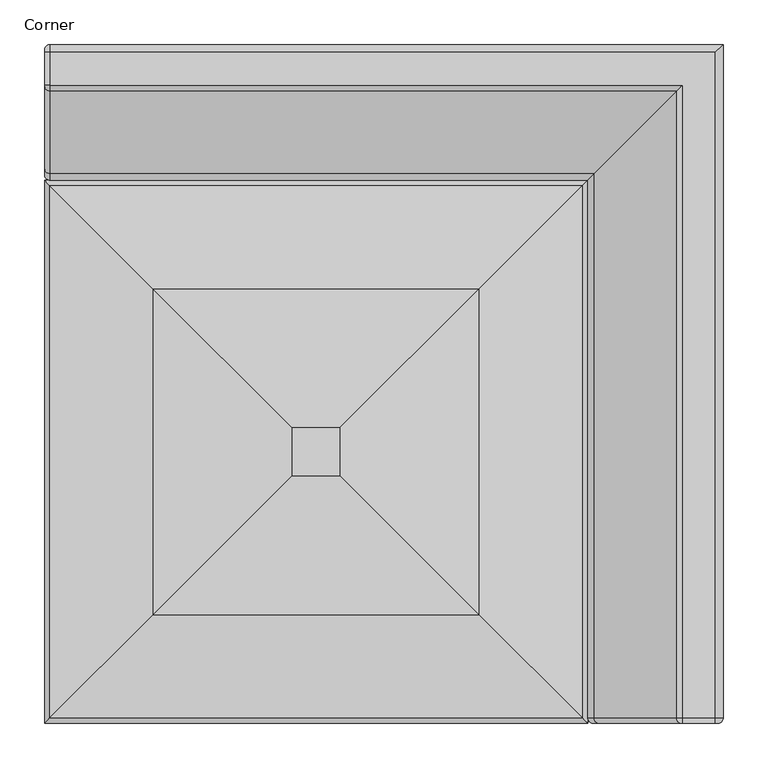
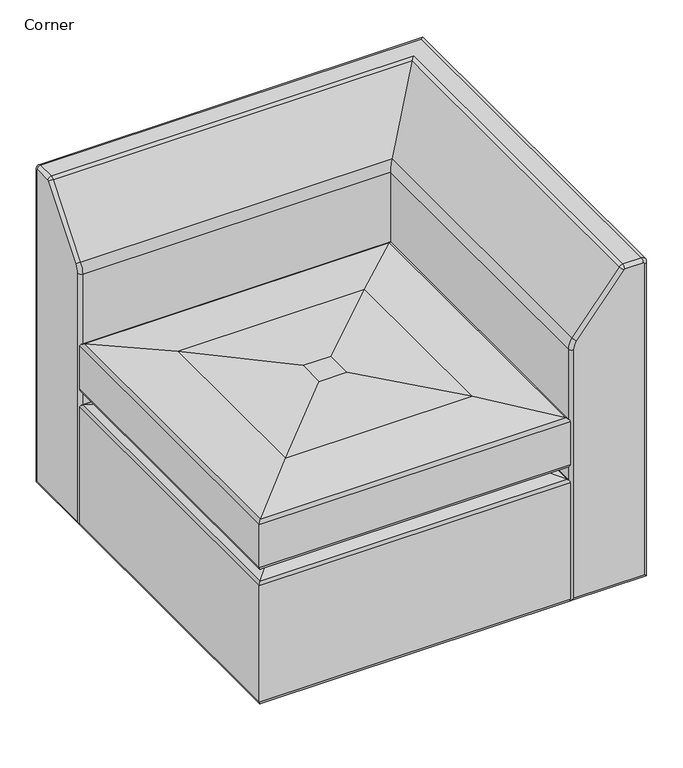
"""IFC4 building model written with IfcOpenShell, lengths in millimetres: furniture geometry, Corner."""

from ifc_helpers import new_model, si_unit, point, frame, origin, place, context, project, spatial, circle_curve, ellipse_curve, trimmed, source, transform, mapped, element, save
from ifc_brep_helpers import plane_surface, cylinder_surface, revolved_surface, advanced_brep


def corner_a1f8b8d4(model_context):
    return source(origin(), model_context, "Body", "AdvancedBrep", [
        advanced_brep(
        [(753.11, -755.65, 717.3703439), (762.0, -755.65, 708.4803439), (762.0, 0.0, 708.4803439), (753.11, -8.89, 717.3703439), (753.11, -762.0, 711.0203439), (755.65, -762.0, 708.4803439), (716.4843728, -755.65, 717.3703439), (6.35, -8.89, 717.3703439), (6.35, -45.5156272, 717.3703439), (716.4843728, -45.5156272, 717.3703439), (716.4843728, -762.0, 711.0203439), (709.5636514, -755.65, 714.0602825), (709.5636514, -52.4363486, 714.0602825), (714.5070239, -762.0, 710.0746121), (616.9144634, -755.65, 599.1487647), (616.9144634, -145.0855366, 599.1487647), (621.8578358, -762.0, 595.1630942), (609.6, -755.65, 578.4232783), (609.6, -152.4, 578.4232783), (615.95, -762.0, 578.4232783), (609.6, -755.65, 57.15), (609.6, -152.4, 57.15), (615.95, -762.0, 63.5), (762.0, -755.65, 57.15), (6.35, -152.4, 57.15), (6.35, 0.0, 57.15), (762.0, 0.0, 57.15), (755.65, -762.0, 63.5), (0.0, -146.05, 63.5), (0.0, -6.35, 63.5), (6.35, -152.4, 578.4232783), (0.0, -146.05, 578.4232783), (6.35, -145.0855366, 599.1487647), (0.0, -140.1421642, 595.1630942), (6.35, -52.4363486, 714.0602825), (0.0, -47.4929761, 710.0746121), (0.0, -45.5156272, 711.0203439), (0.0, -8.89, 711.0203439), (6.35, 0.0, 708.4803439), (0.0, -6.35, 708.4803439)],
        [
            (0, 1, circle_curve(frame((753.11, -755.65, 708.4803439), z_axis=(0.0, 1.0, 0.0), x_axis=(1.0, 0.0, 0.0)), 8.89)),
            (1, 2),
            (2, 3, ellipse_curve(frame((753.11, -8.89, 708.4803439), z_axis=(0.7071067811865469, -0.707106781186548, 0.0), x_axis=(-0.7071067811865479, -0.7071067811865471, 0.0)), 12.5723586, 8.89)),
            (3, 0),
            (0, 4, circle_curve(frame((753.11, -755.65, 711.0203439), z_axis=(1.0, 0.0, 0.0), x_axis=(0.0, -1.0, 0.0)), 6.35)),
            (4, 5, circle_curve(frame((753.11, -762.0, 708.4803439), z_axis=(0.0, 1.0, 0.0), x_axis=(1.0, 0.0, 0.0)), 2.54)),
            (5, 1, circle_curve(frame((755.65, -755.65, 708.4803439), z_axis=(0.0, 0.0, 1.0), x_axis=(0.0, -1.0, 0.0)), 6.35)),
            (6, 0),
            (3, 7),
            (7, 8),
            (8, 9),
            (9, 6),
            (6, 10, circle_curve(frame((716.4843728, -755.65, 711.0203439), z_axis=(1.0, 0.0, 0.0), x_axis=(0.0, -1.0, 0.0)), 6.35)),
            (10, 4),
            (11, 6, circle_curve(frame((716.4843728, -755.65, 708.4803439), z_axis=(0.0, 1.0, 0.0), x_axis=(0.0, 0.0, 1.0)), 8.89)),
            (9, 12, ellipse_curve(frame((716.4843728, -45.5156272, 708.4803439), z_axis=(0.7071067811865469, -0.707106781186548, 0.0), x_axis=(-0.7071067811865479, -0.7071067811865471, 0.0)), 12.5723586, 8.89)),
            (12, 11),
            (11, 13, circle_curve(frame((714.5070239, -755.65, 710.0746121), z_axis=(0.6276646390690448, 0.0, 0.7784838475282103), x_axis=(0.0, -1.0, 0.0)), 6.35)),
            (13, 10, circle_curve(frame((716.4843728, -762.0, 708.4803439), z_axis=(0.0, 1.0, 0.0), x_axis=(0.0, 0.0, 1.0)), 2.54)),
            (14, 11),
            (12, 15),
            (15, 14),
            (14, 16, circle_curve(frame((621.8578358, -755.65, 595.1630942), z_axis=(0.6276646390690135, 0.0, 0.7784838475282356), x_axis=(0.0, -1.0, 0.0)), 6.35)),
            (16, 13),
            (17, 14, circle_curve(frame((642.62, -755.65, 578.4232783), z_axis=(0.0, 1.0, 0.0), x_axis=(-0.7784838475282329, 0.0, 0.6276646390690167)), 33.02)),
            (15, 18, ellipse_curve(frame((642.62, -119.38, 578.4232783), z_axis=(0.7071067811865469, -0.707106781186548, 0.0), x_axis=(-0.7071067811865479, -0.7071067811865471, 0.0)), 46.6973318, 33.02)),
            (18, 17),
            (17, 19, circle_curve(frame((615.95, -755.65, 578.4232783), z_axis=(0.0, 0.0, 1.0), x_axis=(0.0, -1.0, 0.0)), 6.35)),
            (19, 16, circle_curve(frame((642.62, -762.0, 578.4232783), z_axis=(0.0, 1.0, 0.0), x_axis=(-0.7784838475282329, 0.0, 0.6276646390690167)), 26.67)),
            (20, 17),
            (18, 21),
            (21, 20),
            (20, 22, ellipse_curve(frame((615.95, -755.65, 63.5), z_axis=(-0.7071067811865471, 0.0, 0.7071067811865478), x_axis=(0.7071067811865476, 0.0, 0.7071067811865474)), 8.9802561, 6.35)),
            (22, 19),
            (23, 20),
            (21, 24),
            (24, 25),
            (25, 26),
            (26, 23),
            (23, 27, ellipse_curve(frame((755.65, -755.65, 63.5), z_axis=(-0.7071067811865478, 0.0, -0.7071067811865471), x_axis=(-0.7071067811865474, 0.0, 0.7071067811865476)), 8.9802561, 6.35)),
            (27, 22),
            (1, 23),
            (26, 2),
            (5, 27),
            (24, 28, ellipse_curve(frame((6.35, -146.05, 63.5), z_axis=(0.0, 0.7071067811865476, -0.7071067811865475), x_axis=(0.0, 0.7071067811865474, 0.7071067811865476)), 8.9802561, 6.35)),
            (28, 29),
            (29, 25, ellipse_curve(frame((6.35, -6.35, 63.5), z_axis=(0.0, -0.7071067811865475, -0.7071067811865476), x_axis=(0.0, 0.7071067811865476, -0.7071067811865474)), 8.9802561, 6.35)),
            (30, 24),
            (18, 30),
            (30, 31, circle_curve(frame((6.35, -146.05, 578.4232783), z_axis=(0.0, 0.0, -1.0), x_axis=(1.0, 0.0, 0.0)), 6.35)),
            (31, 28),
            (32, 30, circle_curve(frame((6.35, -119.38, 578.4232783), z_axis=(1.0, 0.0, 0.0), x_axis=(0.0, -1.0, 0.0)), 33.02)),
            (15, 32),
            (32, 33, circle_curve(frame((6.35, -140.1421642, 595.1630942), z_axis=(0.0, -0.6276646390690086, -0.7784838475282394), x_axis=(1.0, 0.0, 0.0)), 6.35)),
            (33, 31, circle_curve(frame((0.0, -119.38, 578.4232783), z_axis=(1.0, 0.0, 0.0), x_axis=(0.0, -1.0, 0.0)), 26.67)),
            (34, 32),
            (12, 34),
            (34, 35, circle_curve(frame((6.35, -47.4929761, 710.0746121), z_axis=(0.0, -0.6276646390690132, -0.7784838475282357), x_axis=(1.0, 0.0, 0.0)), 6.35)),
            (35, 33),
            (8, 34, circle_curve(frame((6.35, -45.5156272, 708.4803439), z_axis=(1.0, 0.0, 0.0), x_axis=(0.0, -0.7784838475282436, 0.6276646390690035)), 8.89)),
            (8, 36, circle_curve(frame((6.35, -45.5156272, 711.0203439), z_axis=(0.0, -1.0, 0.0), x_axis=(1.0, 0.0, 0.0)), 6.35)),
            (36, 35, circle_curve(frame((0.0, -45.5156272, 708.4803439), z_axis=(1.0, 0.0, 0.0), x_axis=(0.0, -0.7784838475282436, 0.6276646390690035)), 2.54)),
            (7, 37, circle_curve(frame((6.35, -8.89, 711.0203439), z_axis=(0.0, -1.0, 0.0), x_axis=(1.0, 0.0, 0.0)), 6.35)),
            (37, 36),
            (38, 7, circle_curve(frame((6.35, -8.89, 708.4803439), z_axis=(1.0, 0.0, 0.0), x_axis=(0.0, 0.0, 1.0)), 8.89)),
            (2, 38),
            (38, 39, circle_curve(frame((6.35, -6.35, 708.4803439), z_axis=(0.0, 0.0, 1.0), x_axis=(1.0, 0.0, 0.0)), 6.35)),
            (39, 37, circle_curve(frame((0.0, -8.89, 708.4803439), z_axis=(1.0, 0.0, 0.0), x_axis=(0.0, 0.0, 1.0)), 2.54)),
            (25, 38),
            (29, 39),
        ],
        [
            cylinder_surface(frame((753.11, 0.0, 708.4803439), z_axis=(0.0, -1.0, 0.0), x_axis=(1.0, 0.0, 0.0)), 8.89),
            revolved_surface(trimmed(ellipse_curve(frame((755.65, -755.65, 708.4803439), z_axis=(0.0, 0.0, -1.0), x_axis=(0.0, -1.0, 0.0)), 6.35, 6.35), [point((762.0, -755.65, 708.4803439))], [point((755.65, -762.0, 708.4803439))], True, "CARTESIAN"), (753.11, 0.0, 708.4803439), (0.0, -1.0, 0.0)),
            plane_surface(frame((753.11, 50.8, 717.3703439), z_axis=(0.0, 0.0, 1.0), x_axis=(-1.0, 0.0, 0.0))),
            cylinder_surface(frame((753.11, -755.65, 711.0203439), z_axis=(1.0, 0.0, 0.0), x_axis=(0.0, -1.0, 0.0)), 6.35),
            cylinder_surface(frame((716.4843728, 0.0, 708.4803439), z_axis=(0.0, -1.0, 0.0), x_axis=(0.0, 0.0, 1.0)), 8.89),
            revolved_surface(trimmed(ellipse_curve(frame((716.4843728, -755.65, 711.0203439), z_axis=(1.0, 0.0, 0.0), x_axis=(0.0, -1.0, 0.0)), 6.35, 6.35), [point((716.4843728, -755.65, 717.3703439))], [point((716.4843728, -762.0, 711.0203439))], True, "CARTESIAN"), (716.4843728, 0.0, 708.4803439), (0.0, -1.0, 0.0)),
            plane_surface(frame((709.5636514, 50.8, 714.0602825), z_axis=(-0.7784838475282351, 0.0, 0.6276646390690139), x_axis=(-0.6276646390690139, 0.0, -0.7784838475282351))),
            cylinder_surface(frame((714.5070239, -755.65, 710.0746121), z_axis=(0.6276646390690135, 0.0, 0.7784838475282356), x_axis=(0.0, -1.0, 0.0)), 6.35),
            cylinder_surface(frame((642.62, 0.0, 578.4232783), z_axis=(0.0, -1.0, 0.0), x_axis=(-0.7784838475282329, 0.0, 0.6276646390690167)), 33.02),
            revolved_surface(trimmed(ellipse_curve(frame((621.8578358, -755.65, 595.1630942), z_axis=(0.6276646390690171, 0.0, 0.7784838475282325), x_axis=(0.0, -1.0, 0.0)), 6.35, 6.35), [point((616.9144634, -755.65, 599.1487647))], [point((621.8578358, -762.0, 595.1630942))], True, "CARTESIAN"), (642.62, 0.0, 578.4232783), (0.0, -1.0, 0.0)),
            plane_surface(frame((609.6, 50.8, 578.4232783), z_axis=(-1.0, 0.0, 0.0), x_axis=(0.0, 0.0, -1.0))),
            cylinder_surface(frame((615.95, -755.65, 578.4232783), z_axis=(0.0, 0.0, 1.0), x_axis=(0.0, -1.0, 0.0)), 6.35),
            plane_surface(frame((609.6, 50.8, 57.15), z_axis=(0.0, 0.0, -1.0), x_axis=(1.0, 0.0, 0.0))),
            cylinder_surface(frame((617.22, -755.65, 63.5), z_axis=(-1.0, 0.0, 0.0), x_axis=(0.0, -1.0, 0.0)), 6.35),
            plane_surface(frame((762.0, 50.8, 57.15), z_axis=(1.0, 0.0, 0.0), x_axis=(0.0, 0.0, 1.0))),
            cylinder_surface(frame((755.65, -755.65, 64.77), z_axis=(0.0, 0.0, -1.0), x_axis=(0.0, -1.0, 0.0)), 6.35),
            plane_surface(frame((755.65, -762.0, 63.5), z_axis=(0.0, -1.0, 0.0), x_axis=(0.0, 0.0, 1.0))),
            cylinder_surface(frame((6.35, -7.62, 63.5), z_axis=(0.0, 1.0, 0.0), x_axis=(1.0, 0.0, 0.0)), 6.35),
            plane_surface(frame((812.8, -152.4, 57.15), z_axis=(0.0, -1.0, 0.0), x_axis=(0.0, 0.0, 1.0))),
            cylinder_surface(frame((6.35, -146.05, 64.77), z_axis=(0.0, 0.0, -1.0), x_axis=(1.0, 0.0, 0.0)), 6.35),
            cylinder_surface(frame((0.0, -119.38, 578.4232783), z_axis=(-1.0, 0.0, 0.0), x_axis=(0.0, -1.0, 0.0)), 33.02),
            revolved_surface(trimmed(ellipse_curve(frame((6.35, -146.05, 578.4232783), z_axis=(0.0, 0.0, -1.0), x_axis=(1.0, 0.0, 0.0)), 6.35, 6.35), [point((6.35, -152.4, 578.4232783))], [point((0.0, -146.05, 578.4232783))], True, "CARTESIAN"), (0.0, -119.38, 578.4232783), (-1.0, 0.0, 0.0)),
            plane_surface(frame((812.8, -145.0855366, 599.1487647), z_axis=(0.0, -0.7784838475282355, 0.6276646390690136), x_axis=(0.0, 0.6276646390690136, 0.7784838475282355))),
            cylinder_surface(frame((6.35, -140.1421642, 595.1630942), z_axis=(0.0, -0.6276646390690132, -0.7784838475282357), x_axis=(1.0, 0.0, 0.0)), 6.35),
            cylinder_surface(frame((0.0, -45.5156272, 708.4803439), z_axis=(-1.0, 0.0, 0.0), x_axis=(0.0, -0.7784838475282436, 0.6276646390690035)), 8.89),
            revolved_surface(trimmed(ellipse_curve(frame((6.35, -47.4929761, 710.0746121), z_axis=(0.0, -0.6276646390690034, -0.7784838475282437), x_axis=(1.0, 0.0, 0.0)), 6.35, 6.35), [point((6.35, -52.4363486, 714.0602825))], [point((0.0, -47.4929761, 710.0746121))], True, "CARTESIAN"), (0.0, -45.5156272, 708.4803439), (-1.0, 0.0, 0.0)),
            cylinder_surface(frame((6.35, -45.5156272, 711.0203439), z_axis=(0.0, -1.0, 0.0), x_axis=(1.0, 0.0, 0.0)), 6.35),
            cylinder_surface(frame((0.0, -8.89, 708.4803439), z_axis=(-1.0, 0.0, 0.0), x_axis=(0.0, 0.0, 1.0)), 8.89),
            revolved_surface(trimmed(ellipse_curve(frame((6.35, -8.89, 711.0203439), z_axis=(0.0, -1.0, 0.0), x_axis=(1.0, 0.0, 0.0)), 6.35, 6.35), [point((6.35, -8.89, 717.3703439))], [point((0.0, -8.89, 711.0203439))], True, "CARTESIAN"), (0.0, -8.89, 708.4803439), (-1.0, 0.0, 0.0)),
            plane_surface(frame((812.8, 0.0, 708.4803439), z_axis=(0.0, 1.0, 0.0), x_axis=(0.0, 0.0, -1.0))),
            cylinder_surface(frame((6.35, -6.35, 708.4803439), z_axis=(0.0, 0.0, 1.0), x_axis=(1.0, 0.0, 0.0)), 6.35),
            plane_surface(frame((0.0, -6.35, 708.4803439), z_axis=(-1.0, 0.0, 0.0), x_axis=(0.0, 0.0, -1.0))),
        ],
        [
            (0, [[1, 2, 3, 4]]),
            (1, [[-1, 5, 6, 7]]),
            (2, [[8, -4, 9, 10, 11, 12]]),
            (3, [[-5, -8, 13, 14]]),
            (4, [[15, -12, 16, 17]]),
            (5, [[-13, -15, 18, 19]]),
            (6, [[20, -17, 21, 22]]),
            (7, [[-18, -20, 23, 24]]),
            (8, [[25, -22, 26, 27]]),
            (9, [[-23, -25, 28, 29]]),
            (10, [[30, -27, 31, 32]]),
            (11, [[-28, -30, 33, 34]]),
            (12, [[35, -32, 36, 37, 38, 39]]),
            (13, [[-33, -35, 40, 41]]),
            (14, [[42, -39, 43, -2]]),
            (15, [[-7, 44, -40, -42]]),
            (16, [[-6, -14, -19, -24, -29, -34, -41, -44]]),
            (17, [[-37, 45, 46, 47]]),
            (18, [[48, -36, -31, 49]]),
            (19, [[-45, -48, 50, 51]]),
            (20, [[52, -49, -26, 53]]),
            (21, [[-50, -52, 54, 55]]),
            (22, [[56, -53, -21, 57]]),
            (23, [[-54, -56, 58, 59]]),
            (24, [[60, -57, -16, -11]]),
            (25, [[-58, -60, 61, 62]]),
            (26, [[-61, -10, 63, 64]]),
            (27, [[65, -9, -3, 66]]),
            (28, [[-63, -65, 67, 68]]),
            (29, [[69, -66, -43, -38]]),
            (30, [[-47, 70, -67, -69]]),
            (31, [[-46, -51, -55, -59, -62, -64, -68, -70]]),
        ],
    ),
        advanced_brep(
        [(0.0, -762.0, 63.5), (6.35, -755.65, 57.15), (603.25, -755.65, 57.15), (609.6, -762.0, 63.5), (609.6, -762.0, 305.4352053), (0.0, -762.0, 305.4352053), (605.944765, -758.344765, 311.1850523), (3.655235, -758.344765, 311.1850523), (554.6981467, -707.0981467, 323.8599964), (54.9018533, -707.0981467, 323.8599964), (605.9410729, -758.3410729, 336.5161259), (3.6589271, -758.3410729, 336.5161259), (609.6, -762.0, 342.2677019), (0.0, -762.0, 342.2677019), (609.6, -762.0, 431.6520878), (0.0, -762.0, 431.6520878), (604.0617206, -756.4617206, 437.949993), (5.5382794, -756.4617206, 437.949993), (488.0501341, -640.4501341, 452.9024246), (121.5498659, -640.4501341, 452.9024246), (332.199776, -484.599776, 462.9046302), (277.400224, -484.599776, 462.9046302), (603.25, -158.75, 57.15), (609.6, -152.4, 63.5), (609.6, -152.4, 305.4352053), (605.944765, -156.055235, 311.1850523), (554.6981467, -207.3018533, 323.8599964), (605.9410729, -156.0589271, 336.5161259), (609.6, -152.4, 342.2677019), (609.6, -152.4, 431.6520878), (604.0617206, -157.9382794, 437.949993), (488.0501341, -273.9498659, 452.9024246), (332.199776, -429.800224, 462.9046302), (6.35, -158.75, 57.15), (0.0, -152.4, 63.5), (0.0, -152.4, 305.4352053), (3.655235, -156.055235, 311.1850523), (54.9018533, -207.3018533, 323.8599964), (3.6589271, -156.0589271, 336.5161259), (0.0, -152.4, 342.2677019), (0.0, -152.4, 431.6520878), (5.5382794, -157.9382794, 437.949993), (121.5498659, -273.9498659, 452.9024246), (277.400224, -429.800224, 462.9046302)],
        [
            (0, 1, ellipse_curve(frame((6.35, -755.65, 63.5), z_axis=(0.7071067811865475, -0.7071067811865475, 0.0), x_axis=(-0.7071067811865476, -0.7071067811865474, 0.0)), 8.9802561, 6.35)),
            (1, 2),
            (2, 3, ellipse_curve(frame((603.25, -755.65, 63.5), z_axis=(-0.7071067811865475, -0.7071067811865475, 0.0), x_axis=(-0.7071067811865476, 0.7071067811865474, 0.0)), 8.9802561, 6.35)),
            (3, 0),
            (3, 4),
            (4, 5),
            (5, 0),
            (4, 6, ellipse_curve(frame((603.25, -755.65, 305.4352053), z_axis=(-0.7071067811865475, -0.7071067811865475, 0.0), x_axis=(-0.7071067811865476, 0.7071067811865474, 0.0)), 8.9802561, 6.35)),
            (6, 7),
            (7, 5, ellipse_curve(frame((6.35, -755.65, 305.4352053), z_axis=(0.7071067811865475, -0.7071067811865475, 0.0), x_axis=(-0.7071067811865476, -0.7071067811865474, 0.0)), 8.9802561, 6.35)),
            (6, 8, ellipse_curve(frame((548.3694749, -700.7694749, 188.3360783), z_axis=(-0.7071067811865475, -0.7071067811865475, 0.0), x_axis=(-0.7071067811865476, 0.7071067811865474, 0.0)), 191.8686241, 135.6716052)),
            (8, 9),
            (9, 7, ellipse_curve(frame((61.2305251, -700.7694749, 188.3360783), z_axis=(0.7071067811865475, -0.7071067811865475, 0.0), x_axis=(-0.7071067811865476, -0.7071067811865474, 0.0)), 191.8686241, 135.6716052)),
            (8, 10, ellipse_curve(frame((548.3626822, -700.7626822, 459.5772619), z_axis=(-0.7071067811865475, -0.7071067811865475, 0.0), x_axis=(-0.7071067811865476, 0.7071067811865474, 0.0)), 192.1422091, 135.865059)),
            (10, 11),
            (11, 9, ellipse_curve(frame((61.2373178, -700.7626822, 459.5772619), z_axis=(0.7071067811865475, -0.7071067811865475, 0.0), x_axis=(-0.7071067811865476, -0.7071067811865474, 0.0)), 192.1422091, 135.865059)),
            (10, 12, ellipse_curve(frame((603.25, -755.65, 342.2677019), z_axis=(-0.7071067811865475, -0.7071067811865475, 0.0), x_axis=(-0.7071067811865476, 0.7071067811865474, 0.0)), 8.9802561, 6.35)),
            (12, 13),
            (13, 11, ellipse_curve(frame((6.35, -755.65, 342.2677019), z_axis=(0.7071067811865475, -0.7071067811865475, 0.0), x_axis=(-0.7071067811865476, -0.7071067811865474, 0.0)), 8.9802561, 6.35)),
            (12, 14),
            (14, 15),
            (15, 13),
            (14, 16, ellipse_curve(frame((603.25, -755.65, 431.6520878), z_axis=(-0.7071067811865475, -0.7071067811865475, 0.0), x_axis=(-0.7071067811865476, 0.7071067811865474, 0.0)), 8.9802561, 6.35)),
            (16, 17),
            (17, 15, ellipse_curve(frame((6.35, -755.65, 431.6520878), z_axis=(0.7071067811865475, -0.7071067811865475, 0.0), x_axis=(-0.7071067811865476, -0.7071067811865474, 0.0)), 8.9802561, 6.35)),
            (16, 18),
            (18, 19),
            (19, 17),
            (18, 20, ellipse_curve(frame((332.199776, -484.599776, -756.2953698), z_axis=(-0.7071067811865475, -0.7071067811865475, 0.0), x_axis=(-0.7071067811865476, 0.7071067811865474, 0.0)), 1724.2091752, 1219.2)),
            (20, 21),
            (21, 19, ellipse_curve(frame((277.400224, -484.599776, -756.2953698), z_axis=(0.7071067811865475, -0.7071067811865475, 0.0), x_axis=(-0.7071067811865476, -0.7071067811865474, 0.0)), 1724.2091752, 1219.2)),
            (2, 22),
            (22, 23, ellipse_curve(frame((603.25, -158.75, 63.5), z_axis=(0.7071067811865475, -0.7071067811865475, 0.0), x_axis=(-0.7071067811865474, -0.7071067811865476, 0.0)), 8.9802561, 6.35)),
            (23, 3),
            (23, 24),
            (24, 4),
            (24, 25, ellipse_curve(frame((603.25, -158.75, 305.4352053), z_axis=(0.7071067811865475, -0.7071067811865475, 0.0), x_axis=(-0.7071067811865474, -0.7071067811865476, 0.0)), 8.9802561, 6.35)),
            (25, 6),
            (25, 26, ellipse_curve(frame((548.3694749, -213.6305251, 188.3360783), z_axis=(0.7071067811865475, -0.7071067811865475, 0.0), x_axis=(-0.7071067811865474, -0.7071067811865476, 0.0)), 191.8686241, 135.6716052)),
            (26, 8),
            (26, 27, ellipse_curve(frame((548.3626822, -213.6373178, 459.5772619), z_axis=(0.7071067811865475, -0.7071067811865475, 0.0), x_axis=(-0.7071067811865474, -0.7071067811865476, 0.0)), 192.1422091, 135.865059)),
            (27, 10),
            (27, 28, ellipse_curve(frame((603.25, -158.75, 342.2677019), z_axis=(0.7071067811865475, -0.7071067811865475, 0.0), x_axis=(-0.7071067811865474, -0.7071067811865476, 0.0)), 8.9802561, 6.35)),
            (28, 12),
            (28, 29),
            (29, 14),
            (29, 30, ellipse_curve(frame((603.25, -158.75, 431.6520878), z_axis=(0.7071067811865475, -0.7071067811865475, 0.0), x_axis=(-0.7071067811865474, -0.7071067811865476, 0.0)), 8.9802561, 6.35)),
            (30, 16),
            (30, 31),
            (31, 18),
            (31, 32, ellipse_curve(frame((332.199776, -429.800224, -756.2953698), z_axis=(0.7071067811865475, -0.7071067811865475, 0.0), x_axis=(-0.7071067811865474, -0.7071067811865476, 0.0)), 1724.2091752, 1219.2)),
            (32, 20),
            (22, 33),
            (33, 34, ellipse_curve(frame((6.35, -158.75, 63.5), z_axis=(0.7071067811865475, 0.7071067811865475, 0.0), x_axis=(0.7071067811865476, -0.7071067811865474, 0.0)), 8.9802561, 6.35)),
            (34, 23),
            (34, 35),
            (35, 24),
            (35, 36, ellipse_curve(frame((6.35, -158.75, 305.4352053), z_axis=(0.7071067811865475, 0.7071067811865475, 0.0), x_axis=(0.7071067811865476, -0.7071067811865474, 0.0)), 8.9802561, 6.35)),
            (36, 25),
            (36, 37, ellipse_curve(frame((61.2305251, -213.6305251, 188.3360783), z_axis=(0.7071067811865475, 0.7071067811865475, 0.0), x_axis=(0.7071067811865476, -0.7071067811865474, 0.0)), 191.8686241, 135.6716052)),
            (37, 26),
            (37, 38, ellipse_curve(frame((61.2373178, -213.6373178, 459.5772619), z_axis=(0.7071067811865475, 0.7071067811865475, 0.0), x_axis=(0.7071067811865476, -0.7071067811865474, 0.0)), 192.1422091, 135.865059)),
            (38, 27),
            (38, 39, ellipse_curve(frame((6.35, -158.75, 342.2677019), z_axis=(0.7071067811865475, 0.7071067811865475, 0.0), x_axis=(0.7071067811865476, -0.7071067811865474, 0.0)), 8.9802561, 6.35)),
            (39, 28),
            (39, 40),
            (40, 29),
            (40, 41, ellipse_curve(frame((6.35, -158.75, 431.6520878), z_axis=(0.7071067811865475, 0.7071067811865475, 0.0), x_axis=(0.7071067811865476, -0.7071067811865474, 0.0)), 8.9802561, 6.35)),
            (41, 30),
            (41, 42),
            (42, 31),
            (42, 43, ellipse_curve(frame((277.400224, -429.800224, -756.2953698), z_axis=(0.7071067811865475, 0.7071067811865475, 0.0), x_axis=(0.7071067811865476, -0.7071067811865474, 0.0)), 1724.2091752, 1219.2)),
            (43, 32),
            (1, 33),
            (0, 34),
            (5, 35),
            (7, 36),
            (9, 37),
            (11, 38),
            (13, 39),
            (15, 40),
            (17, 41),
            (19, 42),
            (21, 43),
        ],
        [
            cylinder_surface(frame((0.0, -755.65, 63.5), z_axis=(-1.0, 0.0, 0.0), x_axis=(0.0, 1.0, 0.0)), 6.35),
            plane_surface(frame((0.0, -762.0, 63.5), z_axis=(0.0, -1.0, 0.0), x_axis=(1.0, 0.0, 0.0))),
            cylinder_surface(frame((0.0, -755.65, 305.4352053), z_axis=(-1.0, 0.0, 0.0), x_axis=(0.0, 1.0, 0.0)), 6.35),
            cylinder_surface(frame((0.0, -700.7694749, 188.3360783), z_axis=(-1.0, 0.0, 0.0), x_axis=(0.0, 1.0, 0.0)), 135.6716052),
            cylinder_surface(frame((0.0, -700.7626822, 459.5772619), z_axis=(-1.0, 0.0, 0.0), x_axis=(0.0, 1.0, 0.0)), 135.865059),
            cylinder_surface(frame((0.0, -755.65, 342.2677019), z_axis=(-1.0, 0.0, 0.0), x_axis=(0.0, 1.0, 0.0)), 6.35),
            plane_surface(frame((0.0, -762.0, 342.2677019), z_axis=(0.0, -1.0, 0.0), x_axis=(1.0, 0.0, 0.0))),
            cylinder_surface(frame((0.0, -755.65, 431.6520878), z_axis=(-1.0, 0.0, 0.0), x_axis=(0.0, 1.0, 0.0)), 6.35),
            plane_surface(frame((5.5382794, -756.4617206, 437.949993), z_axis=(0.0, -0.1278300180799031, 0.9917960911788732), x_axis=(1.0, 0.0, 0.0))),
            cylinder_surface(frame((0.0, -484.599776, -756.2953698), z_axis=(-1.0, 0.0, 0.0), x_axis=(0.0, 1.0, 0.0)), 1219.2),
            cylinder_surface(frame((603.25, -762.0, 63.5), z_axis=(0.0, -1.0, 0.0), x_axis=(-1.0, 0.0, 0.0)), 6.35),
            plane_surface(frame((609.6, -762.0, 63.5), z_axis=(1.0, 0.0, 0.0), x_axis=(0.0, 1.0, 0.0))),
            cylinder_surface(frame((603.25, -762.0, 305.4352053), z_axis=(0.0, -1.0, 0.0), x_axis=(-1.0, 0.0, 0.0)), 6.35),
            cylinder_surface(frame((548.3694749, -762.0, 188.3360783), z_axis=(0.0, -1.0, 0.0), x_axis=(-1.0, 0.0, 0.0)), 135.6716052),
            cylinder_surface(frame((548.3626822, -762.0, 459.5772619), z_axis=(0.0, -1.0, 0.0), x_axis=(-1.0, 0.0, 0.0)), 135.865059),
            cylinder_surface(frame((603.25, -762.0, 342.2677019), z_axis=(0.0, -1.0, 0.0), x_axis=(-1.0, 0.0, 0.0)), 6.35),
            plane_surface(frame((609.6, -762.0, 342.2677019), z_axis=(1.0, 0.0, 0.0), x_axis=(0.0, 1.0, 0.0))),
            cylinder_surface(frame((603.25, -762.0, 431.6520878), z_axis=(0.0, -1.0, 0.0), x_axis=(-1.0, 0.0, 0.0)), 6.35),
            plane_surface(frame((604.0617206, -756.4617206, 437.949993), z_axis=(0.1278300180799031, 0.0, 0.9917960911788732), x_axis=(0.0, 1.0, 0.0))),
            cylinder_surface(frame((332.199776, -762.0, -756.2953698), z_axis=(0.0, -1.0, 0.0), x_axis=(-1.0, 0.0, 0.0)), 1219.2),
            cylinder_surface(frame((609.6, -158.75, 63.5), z_axis=(1.0, 0.0, 0.0), x_axis=(0.0, -1.0, 0.0)), 6.35),
            plane_surface(frame((609.6, -152.4, 63.5), z_axis=(0.0, 1.0, 0.0), x_axis=(-1.0, 0.0, 0.0))),
            cylinder_surface(frame((609.6, -158.75, 305.4352053), z_axis=(1.0, 0.0, 0.0), x_axis=(0.0, -1.0, 0.0)), 6.35),
            cylinder_surface(frame((609.6, -213.6305251, 188.3360783), z_axis=(1.0, 0.0, 0.0), x_axis=(0.0, -1.0, 0.0)), 135.6716052),
            cylinder_surface(frame((609.6, -213.6373178, 459.5772619), z_axis=(1.0, 0.0, 0.0), x_axis=(0.0, -1.0, 0.0)), 135.865059),
            cylinder_surface(frame((609.6, -158.75, 342.2677019), z_axis=(1.0, 0.0, 0.0), x_axis=(0.0, -1.0, 0.0)), 6.35),
            plane_surface(frame((609.6, -152.4, 342.2677019), z_axis=(0.0, 1.0, 0.0), x_axis=(-1.0, 0.0, 0.0))),
            cylinder_surface(frame((609.6, -158.75, 431.6520878), z_axis=(1.0, 0.0, 0.0), x_axis=(0.0, -1.0, 0.0)), 6.35),
            plane_surface(frame((604.0617206, -157.9382794, 437.949993), z_axis=(0.0, 0.1278300180799031, 0.9917960911788732), x_axis=(-1.0, 0.0, 0.0))),
            cylinder_surface(frame((609.6, -429.800224, -756.2953698), z_axis=(1.0, 0.0, 0.0), x_axis=(0.0, -1.0, 0.0)), 1219.2),
            plane_surface(frame((279.4, -431.8, 57.15), z_axis=(0.0, 0.0, -1.0), x_axis=(0.0, -1.0, 0.0))),
            cylinder_surface(frame((6.35, -152.4, 63.5), z_axis=(0.0, 1.0, 0.0), x_axis=(1.0, 0.0, 0.0)), 6.35),
            plane_surface(frame((0.0, -152.4, 63.5), z_axis=(-1.0, 0.0, 0.0), x_axis=(0.0, -1.0, 0.0))),
            cylinder_surface(frame((6.35, -152.4, 305.4352053), z_axis=(0.0, 1.0, 0.0), x_axis=(1.0, 0.0, 0.0)), 6.35),
            cylinder_surface(frame((61.2305251, -152.4, 188.3360783), z_axis=(0.0, 1.0, 0.0), x_axis=(1.0, 0.0, 0.0)), 135.6716052),
            cylinder_surface(frame((61.2373178, -152.4, 459.5772619), z_axis=(0.0, 1.0, 0.0), x_axis=(1.0, 0.0, 0.0)), 135.865059),
            cylinder_surface(frame((6.35, -152.4, 342.2677019), z_axis=(0.0, 1.0, 0.0), x_axis=(1.0, 0.0, 0.0)), 6.35),
            plane_surface(frame((0.0, -152.4, 342.2677019), z_axis=(-1.0, 0.0, 0.0), x_axis=(0.0, -1.0, 0.0))),
            cylinder_surface(frame((6.35, -152.4, 431.6520878), z_axis=(0.0, 1.0, 0.0), x_axis=(1.0, 0.0, 0.0)), 6.35),
            plane_surface(frame((5.5382794, -157.9382794, 437.949993), z_axis=(-0.1278300180799031, 0.0, 0.9917960911788732), x_axis=(0.0, -1.0, 0.0))),
            cylinder_surface(frame((277.400224, -152.4, -756.2953698), z_axis=(0.0, 1.0, 0.0), x_axis=(1.0, 0.0, 0.0)), 1219.2),
            plane_surface(frame((277.400224, -429.800224, 462.9046302), z_axis=(0.0, 0.0, 1.0), x_axis=(0.0, -1.0, 0.0))),
        ],
        [
            (0, [[1, 2, 3, 4]]),
            (1, [[-4, 5, 6, 7]]),
            (2, [[-6, 8, 9, 10]]),
            (3, [[-9, 11, 12, 13]]),
            (4, [[-12, 14, 15, 16]]),
            (5, [[-15, 17, 18, 19]]),
            (6, [[-18, 20, 21, 22]]),
            (7, [[-21, 23, 24, 25]]),
            (8, [[-24, 26, 27, 28]]),
            (9, [[-27, 29, 30, 31]]),
            (10, [[-3, 32, 33, 34]]),
            (11, [[-5, -34, 35, 36]]),
            (12, [[-8, -36, 37, 38]]),
            (13, [[-11, -38, 39, 40]]),
            (14, [[-14, -40, 41, 42]]),
            (15, [[-17, -42, 43, 44]]),
            (16, [[-20, -44, 45, 46]]),
            (17, [[-23, -46, 47, 48]]),
            (18, [[-26, -48, 49, 50]]),
            (19, [[-29, -50, 51, 52]]),
            (20, [[-33, 53, 54, 55]]),
            (21, [[-35, -55, 56, 57]]),
            (22, [[-37, -57, 58, 59]]),
            (23, [[-39, -59, 60, 61]]),
            (24, [[-41, -61, 62, 63]]),
            (25, [[-43, -63, 64, 65]]),
            (26, [[-45, -65, 66, 67]]),
            (27, [[-47, -67, 68, 69]]),
            (28, [[-49, -69, 70, 71]]),
            (29, [[-51, -71, 72, 73]]),
            (30, [[-2, 74, -53, -32]]),
            (31, [[-1, 75, -54, -74]]),
            (32, [[-7, 76, -56, -75]]),
            (33, [[-10, 77, -58, -76]]),
            (34, [[-13, 78, -60, -77]]),
            (35, [[-16, 79, -62, -78]]),
            (36, [[-19, 80, -64, -79]]),
            (37, [[-22, 81, -66, -80]]),
            (38, [[-25, 82, -68, -81]]),
            (39, [[-28, 83, -70, -82]]),
            (40, [[-31, 84, -72, -83]]),
            (41, [[-30, -52, -73, -84]]),
        ],
    ),
        advanced_brep(
        [(76.2, -101.600003, 57.15), (127.0, -101.600003, 57.15), (76.2, -101.600003, 6.35), (127.0, -101.600003, 6.35), (88.9, -101.600003, 6.35), (114.3, -101.600003, 6.35), (88.9, -101.600003, 0.0), (114.3, -101.600003, 0.0)],
        [
            (0, 1, circle_curve(frame((101.6, -101.600003, 57.15), z_axis=(0.0, 0.0, 1.0), x_axis=(1.0, 0.0, 0.0)), 25.4)),
            (1, 0, circle_curve(frame((101.6, -101.600003, 57.15), z_axis=(0.0, 0.0, 1.0), x_axis=(1.0, 0.0, 0.0)), 25.4)),
            (2, 3, circle_curve(frame((101.6, -101.600003, 6.35), z_axis=(0.0, 0.0, -1.0), x_axis=(1.0, 0.0, 0.0)), 25.4)),
            (3, 2, circle_curve(frame((101.6, -101.600003, 6.35), z_axis=(0.0, 0.0, -1.0), x_axis=(1.0, 0.0, 0.0)), 25.4)),
            (4, 5, circle_curve(frame((101.6, -101.600003, 6.35), z_axis=(0.0, 0.0, 1.0), x_axis=(1.0, 0.0, 0.0)), 12.7)),
            (5, 4, circle_curve(frame((101.6, -101.600003, 6.35), z_axis=(0.0, 0.0, 1.0), x_axis=(1.0, 0.0, 0.0)), 12.7)),
            (0, 2),
            (3, 1),
            (6, 7, circle_curve(frame((101.6, -101.600003, 0.0), z_axis=(0.0, 0.0, -1.0), x_axis=(1.0, 0.0, 0.0)), 12.7)),
            (7, 6, circle_curve(frame((101.6, -101.600003, 0.0), z_axis=(0.0, 0.0, -1.0), x_axis=(1.0, 0.0, 0.0)), 12.7)),
            (7, 5),
            (4, 6),
        ],
        [
            plane_surface(frame((127.0, -101.600003, 57.15), z_axis=(0.0, 0.0, 1.0), x_axis=(0.0, 1.0, 0.0))),
            plane_surface(frame((127.0, -101.600003, 6.35), z_axis=(0.0, 0.0, -1.0), x_axis=(0.0, -1.0, 0.0))),
            cylinder_surface(frame((101.6, -101.600003, 6.35), z_axis=(0.0, 0.0, 1.0), x_axis=(1.0, 0.0, 0.0)), 25.4),
            plane_surface(frame((114.3, -101.600003, 0.0), z_axis=(0.0, 0.0, -1.0), x_axis=(0.0, -1.0, 0.0))),
            cylinder_surface(frame((101.6, -101.600003, 0.0), z_axis=(0.0, 0.0, 1.0), x_axis=(1.0, 0.0, 0.0)), 12.7),
        ],
        [
            (0, [[1, 2]]),
            (1, [[3, 4], [5, 6]]),
            (2, [[-1, 7, -4, 8]]),
            (2, [[-2, -8, -3, -7]]),
            (3, [[9, 10]]),
            (4, [[-10, 11, -5, 12]]),
            (4, [[-9, -12, -6, -11]]),
        ],
    ),
        advanced_brep(
        [(76.2, -660.3999879, 57.15), (127.0, -660.3999879, 57.15), (76.2, -660.3999879, 6.35), (127.0, -660.3999879, 6.35), (88.9, -660.3999879, 6.35), (114.3, -660.3999879, 6.35), (88.9, -660.3999879, 0.0), (114.3, -660.3999879, 0.0)],
        [
            (0, 1, circle_curve(frame((101.6, -660.3999879, 57.15), z_axis=(0.0, 0.0, 1.0), x_axis=(1.0, 0.0, 0.0)), 25.4)),
            (1, 0, circle_curve(frame((101.6, -660.3999879, 57.15), z_axis=(0.0, 0.0, 1.0), x_axis=(1.0, 0.0, 0.0)), 25.4)),
            (2, 3, circle_curve(frame((101.6, -660.3999879, 6.35), z_axis=(0.0, 0.0, -1.0), x_axis=(1.0, 0.0, 0.0)), 25.4)),
            (3, 2, circle_curve(frame((101.6, -660.3999879, 6.35), z_axis=(0.0, 0.0, -1.0), x_axis=(1.0, 0.0, 0.0)), 25.4)),
            (4, 5, circle_curve(frame((101.6, -660.3999879, 6.35), z_axis=(0.0, 0.0, 1.0), x_axis=(1.0, 0.0, 0.0)), 12.7)),
            (5, 4, circle_curve(frame((101.6, -660.3999879, 6.35), z_axis=(0.0, 0.0, 1.0), x_axis=(1.0, 0.0, 0.0)), 12.7)),
            (6, 7, circle_curve(frame((101.6, -660.3999879, 0.0), z_axis=(0.0, 0.0, -1.0), x_axis=(1.0, 0.0, 0.0)), 12.7)),
            (7, 6, circle_curve(frame((101.6, -660.3999879, 0.0), z_axis=(0.0, 0.0, -1.0), x_axis=(1.0, 0.0, 0.0)), 12.7)),
            (7, 5),
            (4, 6),
            (0, 2),
            (3, 1),
        ],
        [
            plane_surface(frame((127.0, -101.600003, 57.15), z_axis=(0.0, 0.0, 1.0), x_axis=(0.0, 1.0, 0.0))),
            plane_surface(frame((127.0, -101.600003, 6.35), z_axis=(0.0, 0.0, -1.0), x_axis=(0.0, -1.0, 0.0))),
            plane_surface(frame((114.3, -101.600003, 0.0), z_axis=(0.0, 0.0, -1.0), x_axis=(0.0, -1.0, 0.0))),
            cylinder_surface(frame((101.6, -660.3999879, 0.0), z_axis=(0.0, 0.0, 1.0), x_axis=(1.0, 0.0, 0.0)), 12.7),
            cylinder_surface(frame((101.6, -660.3999879, 0.0), z_axis=(0.0, 0.0, 1.0), x_axis=(1.0, 0.0, 0.0)), 25.4),
        ],
        [
            (0, [[1, 2]]),
            (1, [[3, 4], [5, 6]]),
            (2, [[7, 8]]),
            (3, [[-8, 9, -5, 10]]),
            (3, [[-7, -10, -6, -9]]),
            (4, [[-1, 11, -4, 12]]),
            (4, [[-2, -12, -3, -11]]),
        ],
    ),
        advanced_brep(
        [(635.0, -101.600003, 57.15), (685.8, -101.600003, 57.15), (635.0, -101.600003, 6.35), (685.8, -101.600003, 6.35), (647.7, -101.600003, 6.35), (673.1, -101.600003, 6.35), (647.7, -101.600003, 0.0), (673.1, -101.600003, 0.0)],
        [
            (0, 1, circle_curve(frame((660.4, -101.600003, 57.15), z_axis=(0.0, 0.0, 1.0), x_axis=(1.0, 0.0, 0.0)), 25.4)),
            (1, 0, circle_curve(frame((660.4, -101.600003, 57.15), z_axis=(0.0, 0.0, 1.0), x_axis=(1.0, 0.0, 0.0)), 25.4)),
            (2, 3, circle_curve(frame((660.4, -101.600003, 6.35), z_axis=(0.0, 0.0, -1.0), x_axis=(1.0, 0.0, 0.0)), 25.4)),
            (3, 2, circle_curve(frame((660.4, -101.600003, 6.35), z_axis=(0.0, 0.0, -1.0), x_axis=(1.0, 0.0, 0.0)), 25.4)),
            (4, 5, circle_curve(frame((660.4, -101.600003, 6.35), z_axis=(0.0, 0.0, 1.0), x_axis=(1.0, 0.0, 0.0)), 12.7)),
            (5, 4, circle_curve(frame((660.4, -101.600003, 6.35), z_axis=(0.0, 0.0, 1.0), x_axis=(1.0, 0.0, 0.0)), 12.7)),
            (6, 7, circle_curve(frame((660.4, -101.600003, 0.0), z_axis=(0.0, 0.0, -1.0), x_axis=(1.0, 0.0, 0.0)), 12.7)),
            (7, 6, circle_curve(frame((660.4, -101.600003, 0.0), z_axis=(0.0, 0.0, -1.0), x_axis=(1.0, 0.0, 0.0)), 12.7)),
            (7, 5),
            (4, 6),
            (0, 2),
            (3, 1),
        ],
        [
            plane_surface(frame((127.0, -101.600003, 57.15), z_axis=(0.0, 0.0, 1.0), x_axis=(0.0, 1.0, 0.0))),
            plane_surface(frame((127.0, -101.600003, 6.35), z_axis=(0.0, 0.0, -1.0), x_axis=(0.0, -1.0, 0.0))),
            plane_surface(frame((114.3, -101.600003, 0.0), z_axis=(0.0, 0.0, -1.0), x_axis=(0.0, -1.0, 0.0))),
            cylinder_surface(frame((660.4, -101.600003, 0.0), z_axis=(0.0, 0.0, 1.0), x_axis=(1.0, 0.0, 0.0)), 12.7),
            cylinder_surface(frame((660.4, -101.600003, 0.0), z_axis=(0.0, 0.0, 1.0), x_axis=(1.0, 0.0, 0.0)), 25.4),
        ],
        [
            (0, [[1, 2]]),
            (1, [[3, 4], [5, 6]]),
            (2, [[7, 8]]),
            (3, [[-8, 9, -5, 10]]),
            (3, [[-7, -10, -6, -9]]),
            (4, [[-1, 11, -4, 12]]),
            (4, [[-2, -12, -3, -11]]),
        ],
    ),
        advanced_brep(
        [(635.0, -660.3999879, 57.15), (685.8, -660.3999879, 57.15), (635.0, -660.3999879, 6.35), (685.8, -660.3999879, 6.35), (647.7, -660.3999879, 6.35), (673.1, -660.3999879, 6.35), (647.7, -660.3999879, 0.0), (673.1, -660.3999879, 0.0)],
        [
            (0, 1, circle_curve(frame((660.4, -660.3999879, 57.15), z_axis=(0.0, 0.0, 1.0), x_axis=(1.0, 0.0, 0.0)), 25.4)),
            (1, 0, circle_curve(frame((660.4, -660.3999879, 57.15), z_axis=(0.0, 0.0, 1.0), x_axis=(1.0, 0.0, 0.0)), 25.4)),
            (2, 3, circle_curve(frame((660.4, -660.3999879, 6.35), z_axis=(0.0, 0.0, -1.0), x_axis=(1.0, 0.0, 0.0)), 25.4)),
            (3, 2, circle_curve(frame((660.4, -660.3999879, 6.35), z_axis=(0.0, 0.0, -1.0), x_axis=(1.0, 0.0, 0.0)), 25.4)),
            (4, 5, circle_curve(frame((660.4, -660.3999879, 6.35), z_axis=(0.0, 0.0, 1.0), x_axis=(1.0, 0.0, 0.0)), 12.7)),
            (5, 4, circle_curve(frame((660.4, -660.3999879, 6.35), z_axis=(0.0, 0.0, 1.0), x_axis=(1.0, 0.0, 0.0)), 12.7)),
            (6, 7, circle_curve(frame((660.4, -660.3999879, 0.0), z_axis=(0.0, 0.0, -1.0), x_axis=(1.0, 0.0, 0.0)), 12.7)),
            (7, 6, circle_curve(frame((660.4, -660.3999879, 0.0), z_axis=(0.0, 0.0, -1.0), x_axis=(1.0, 0.0, 0.0)), 12.7)),
            (7, 5),
            (4, 6),
            (0, 2),
            (3, 1),
        ],
        [
            plane_surface(frame((127.0, -101.600003, 57.15), z_axis=(0.0, 0.0, 1.0), x_axis=(0.0, 1.0, 0.0))),
            plane_surface(frame((127.0, -101.600003, 6.35), z_axis=(0.0, 0.0, -1.0), x_axis=(0.0, -1.0, 0.0))),
            plane_surface(frame((114.3, -101.600003, 0.0), z_axis=(0.0, 0.0, -1.0), x_axis=(0.0, -1.0, 0.0))),
            cylinder_surface(frame((660.4, -660.3999879, 0.0), z_axis=(0.0, 0.0, 1.0), x_axis=(1.0, 0.0, 0.0)), 12.7),
            cylinder_surface(frame((660.4, -660.3999879, 0.0), z_axis=(0.0, 0.0, 1.0), x_axis=(1.0, 0.0, 0.0)), 25.4),
        ],
        [
            (0, [[1, 2]]),
            (1, [[3, 4], [5, 6]]),
            (2, [[7, 8]]),
            (3, [[-8, 9, -5, 10]]),
            (3, [[-7, -10, -6, -9]]),
            (4, [[-1, 11, -4, 12]]),
            (4, [[-2, -12, -3, -11]]),
        ],
    ),
    ])


if __name__ == "__main__":
    model = new_model("IFC4")
    model_context = context("Model", 3, world=origin())
    ifc_project = project(units=[si_unit("LENGTHUNIT", "METRE", prefix="MILLI")], contexts=[model_context])
    site = spatial("IfcSite", under=ifc_project)
    building = spatial("IfcBuilding", under=site)
    placement = place(None, origin())
    corner_shape = corner_a1f8b8d4(model_context)
    element("IfcFurniture", 1, ObjectType="Corner", at=placement, inside=building, context=model_context, shape_type="MappedRepresentation", body=[
        mapped(corner_shape, transform((0.0, 0.0, 0.0), x_axis=(1.0, 0.0, 0.0), y_axis=(0.0, 1.0, 0.0), z_axis=(0.0, 0.0, 1.0))),
    ])
    save(model, "model.ifc")
